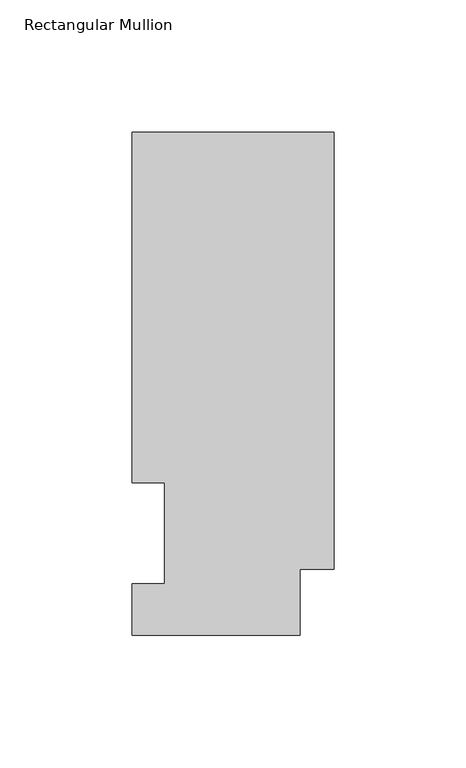
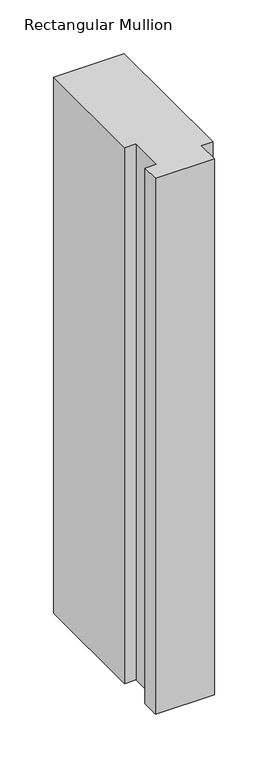
"""IFC4 building model written with IfcOpenShell, lengths in millimetres: member geometry, Rectangular Mullion."""

from ifc_helpers import new_model, si_unit, frame, origin, place, context, project, spatial, polyline, outline, extrude, source, transform, mapped, element, save


def rectangular_mullion_946ba025(model_context):
    return source(origin(), model_context, "Body", "SweptSolid", [
        extrude(outline(polyline([(-76.2, 190.0816937), (0.0, 190.0816937), (0.0, 25.0832937), (-12.7, 25.0832937), (-12.7, 0.0134937), (-76.2, 0.0134937), (-76.2, 19.5460937), (-63.8581605, 19.5460937), (-63.8581605, 57.6460937), (-76.2, 57.6460937), (-76.2, 190.0816937)])), frame((0.0, 0.0, -609.6), z_axis=(0.0, 0.0, 1.0), x_axis=(1.0, 0.0, 0.0)), (0.0, 0.0, 1.0), 609.6),
    ])


if __name__ == "__main__":
    model = new_model("IFC4")
    model_context = context("Model", 3, world=origin())
    ifc_project = project(units=[si_unit("LENGTHUNIT", "METRE", prefix="MILLI")], contexts=[model_context])
    site = spatial("IfcSite", under=ifc_project)
    building = spatial("IfcBuilding", under=site)
    placement = place(None, origin())
    rectangular_mullion_shape = rectangular_mullion_946ba025(model_context)
    element("IfcMember", 1, ObjectType="Rectangular Mullion", at=placement, inside=building, context=model_context, shape_type="MappedRepresentation", body=[
        mapped(rectangular_mullion_shape, transform((0.0, 0.0, 0.0), x_axis=(1.0, 0.0, 0.0), y_axis=(0.0, 1.0, 0.0), z_axis=(0.0, 0.0, 1.0))),
    ])
    save(model, "model.ifc")
